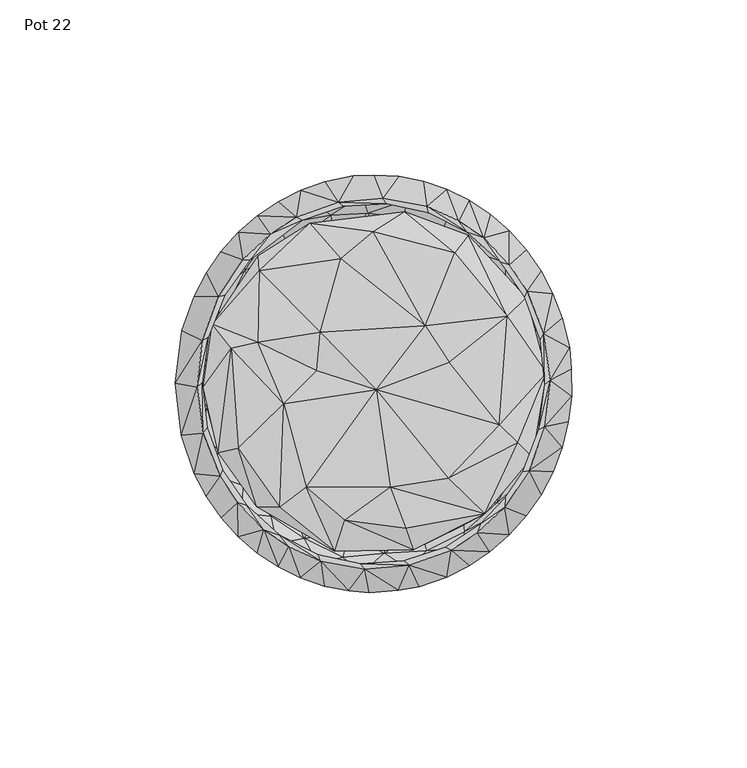
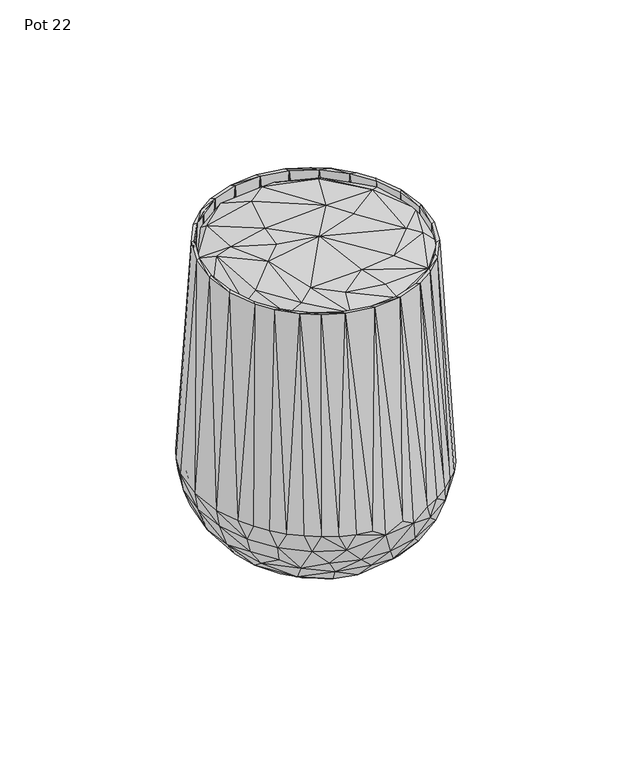
"""IFC4 building model written with IfcOpenShell, lengths in millimetres: furniture geometry, Pot 22."""

from ifc_helpers import new_model, si_unit, origin, place, context, project, spatial, triangles, source, transform, mapped, element, save


def pot_22_847e8816(model_context):
    return source(origin(), model_context, "Body", "Tessellation", [
        triangles([(-15.4300924, -40.540794, 6.9802641), (-5.3734928, -43.0216927, 6.8997923), (-18.6359287, -47.8072245, 15.9449377), (-29.1590532, -34.8982151, 9.2905241), (-24.0619783, -29.9488306, 4.0905601), (-15.8921997, -27.3953005, 1.20465), (1.2702494, -37.0450839, 2.9253997), (8.0405402, -48.9172131, 13.7749802), (-3.5702811, -51.2194118, 16.0386377), (15.7148543, -40.0278711, 7.3626314), (13.8647481, -32.169648, 2.4541993), (26.7461395, -34.533925, 8.449059), (22.2051808, -44.9031231, 15.199087), (-29.77021, -22.2304677, 3.5367271), (-40.1910379, -19.2373182, 9.4887428), (-31.8034435, -42.2695584, 19.1393318), (-41.9096784, -27.5848579, 16.1240453), (-14.7830253, -33.023141, 7.3470857), (2.0782128, -36.1492197, 7.348245), (-9.3031601, -22.7913187, 4.3907343), (-27.4586823, -27.7787232, 9.3036983), (-20.1576359, -44.0453084, 17.4820475), (-25.2814147, -19.2848739, 5.9934733), (-7.5758026, -42.8609785, 11.9993198), (-2.3813247, -24.5946266, -0.0942782), (18.6941851, -30.309067, 7.4211631), (12.5472469, -20.3614616, 4.389856), (2.6236549, -48.3739459, 17.3415707), (13.0612179, -40.8768563, 11.8704339), (15.4079724, -17.1849726, -0.1289191), (27.1000787, -21.3363839, 2.6771165), (28.8474557, -22.2318779, 8.2224178), (24.9508776, -36.7188071, 14.0327508), (33.814072, -26.6867136, 8.4375709), (35.0594902, -34.8562459, 15.8717034), (-34.0396306, -11.5292143, 3.0127399), (-23.3346676, -5.5509063, -0.1114933), (-38.3701779, -16.6115167, 11.8128872), (-29.551864, -37.8406862, 17.4278731), (-37.543684, -29.0342652, 17.4132063), (-0.3794357, 0.0082292, 6.709636), (-23.4040016, -2.5365205, 4.39964), (-0.3794357, 0.0082292, 2.0614676), (23.8629511, -2.1981523, 4.3961093), (31.0076481, -6.0709043, 1.5472998), (37.6406757, -15.9878765, 7.1021226), (32.2264055, -4.147444, 6.6116161), (35.3612455, -24.9646076, 13.8691366), (39.9983988, -4.7884772, 11.2972256), (43.5027498, -21.2280829, 15.2136483), (-41.3960061, -5.2388234, 7.057099), (-49.9325399, -13.6027671, 19.5879986), (-41.2831178, 5.6539404, 7.0559573), (-31.2948217, 8.8190327, 1.8643552), (-31.962425, -4.4735261, 6.3814612), (23.6631564, 4.8862882, -0.1347687), (41.5437987, -3.6790519, 7.8267877), (-51.5172315, -0.1878217, 19.5872969), (-32.9871171, 12.7298348, 7.5689841), (-41.2241689, 6.0889906, 11.9485348), (-41.0188126, -6.3435025, 11.794512), (-14.2920759, 17.7411693, 4.4829403), (-24.2646935, 19.060335, 5.7270612), (-16.9110442, 17.2942807, -0.1440086), (25.7841638, 16.2861494, 5.7735069), (8.1832186, 21.7325443, 4.4637225), (34.439295, 13.6209051, 4.0648951), (34.2561462, 15.2239969, 9.1482885), (48.0108231, -6.3126722, 16.0831514), (42.9817287, 8.4348208, 9.8479465), (-38.5920712, 16.2149691, 7.0560453), (-47.5799582, 12.625508, 16.043695), (-33.5363455, 26.0171756, 7.2107699), (-23.347839, 23.462024, 1.8729277), (-6.8453404, 20.697374, 0.0001411), (12.7313813, 16.775668, 1.81e-05), (5.316943, 21.1145769, 0.0034611), (18.3219762, 23.1870385, 0.6994059), (-43.0169555, 24.6469285, 16.0413423), (-28.0355208, 26.9652486, 9.3853652), (-35.0035729, 26.7511174, 13.7458554), (-16.13602, 28.9026122, 6.195082), (-12.9517099, 34.1786846, 2.8498817), (4.6591238, 28.0310039, 0.391151), (-3.4078359, 30.4113818, 5.3153227), (26.864528, 30.7274713, 10.8601213), (13.8908332, 29.08706, 5.9343092), (45.8203454, 3.2047479, 17.562274), (37.3147282, 22.391879, 13.7580992), (26.7296593, 27.1428813, 4.3287953), (38.0329869, 20.9425126, 8.9215422), (-33.2635787, 37.4523038, 15.5233439), (-26.6964582, 33.4452878, 7.1598629), (-11.4157129, 39.7508985, 10.4689002), (-24.5164791, 39.4589468, 15.7308394), (2.2500157, 36.9658873, 3.0764531), (11.479005, 36.8856641, 4.134335), (14.7510175, 38.170399, 10.3041096), (2.4201571, 40.7000094, 10.1569041), (20.9252012, 38.1482801, 7.5181645), (31.2543514, 31.5162176, 9.310514), (41.0895023, 27.5970437, 16.0309074), (47.7158965, 9.6992331, 16.0273239), (-17.2557827, 43.6655487, 10.6217274), (-7.6218027, 41.2662402, 6.1157701), (3.2505394, 46.2336423, 9.6140855), (28.203561, 41.784677, 15.8191811), (14.8797411, 48.8202759, 15.9919631), (2.8801933, -55.4366099, 23.3154623), (-10.3915033, -54.6215388, 23.3178672), (-23.0190301, -50.3422079, 23.3121581), (-30.3040437, -49.3819558, 31.0930013), (-41.1554412, -39.8858694, 31.100291), (-39.224459, -37.8928769, 23.324789), (-27.8884617, -45.5874563, 27.633733), (-16.2361036, -51.3020239, 27.6298883), (-9.201601, -49.5205284, 20.3926438), (-3.5529956, -53.7644009, 27.6252669), (9.3083827, -52.814804, 27.6349456), (14.6411587, -47.6877324, 20.3973696), (15.9275162, -52.7402901, 23.3118424), (25.4486806, -42.2068305, 20.4124237), (30.1126401, -45.2442087, 23.1053143), (-37.8789742, -36.8751883, 27.6120569), (34.8854297, -33.821448, 20.4689518), (42.9074918, -32.9615691, 24.9503462), (-46.6330638, -27.1147853, 23.3198884), (-44.7880184, -19.0011192, 20.4033603), (-45.1294946, -26.4118394, 27.6194692), (41.9153467, -21.2914284, 18.7548713), (44.4560392, -25.684095, 27.6380023), (47.9764593, -12.6183102, 24.0305894), (49.4146755, -20.5304465, 24.9527193), (-47.8222945, -6.769981, 20.4018661), (52.8127329, -6.6538862, 24.9647848), (-44.2860868, 17.692108, 19.0652539), (-47.832282, 5.8292897, 20.3370649), (50.8146627, 0.4005209, 27.6617154), (47.8854129, 13.6020574, 24.0160781), (47.4870633, 24.073333, 23.1758973), (51.9686438, 7.4343828, 23.266083), (-51.4946448, 13.6512777, 23.3151807), (-46.5573372, 26.669291, 23.3093671), (-37.1028338, 32.2862424, 20.2348818), (-49.9477688, 13.0950583, 27.621177), (-45.2034636, 25.7118731, 27.6237227), (-40.2574401, 38.1302761, 25.9406336), (28.2680692, 37.5901088, 17.070204), (41.4075016, 24.7629348, 20.3817705), (37.3898212, 34.4771379, 24.0470492), (38.3640373, 40.122442, 26.2557579), (-28.6217177, 45.9940403, 21.8176658), (-28.0229307, 45.3587502, 27.678123), (-12.6390007, 48.1433368, 19.4020429), (8.013524, 47.3409058, 17.1849135), (19.1458835, 43.5772047, 17.1162279), (21.2029141, 48.2998725, 25.8541904), (31.6447322, 41.4532882, 25.9045893), (-18.4533079, 53.2790699, 25.3250031), (-8.9975669, 53.3043681, 20.2873881), (-2.0336509, 48.6491426, 17.7244825), (9.0423527, 52.4211689, 25.9514388), (-3.7338064, 53.7208488, 27.6074355), (2.7728305, 53.9931296, 20.1465946), (28.460295, 47.7359534, 24.9651027), (16.2237065, 53.7462697, 24.9560894), (-17.7965461, -55.621505, 31.2426152), (-25.3866908, -50.3833663, 39.3146152), (-12.6701887, -55.2812959, 39.267961), (-1.5743821, -59.6458097, 35.4442641), (0.809066, -56.6749518, 39.2503022), (12.6043258, -57.9825845, 35.4660969), (24.6283704, -46.999266, 27.5724813), (14.2056713, -54.4848874, 39.2339333), (23.3869696, -52.6300088, 31.1146774), (-36.2824352, -42.5063898, 39.3357304), (37.2498566, -36.2522294, 27.631537), (26.6788903, -48.8539493, 39.2159611), (37.4628092, -40.1150432, 39.3562324), (34.95822, -44.7934959, 30.9927848), (-48.9877484, -28.5169344, 31.100643), (-45.2014652, -31.756728, 39.2347236), (45.6962251, -29.10255, 39.3212009), (47.4033384, -31.615176, 37.9578552), (43.2181378, -37.698135, 37.9610505), (-54.1406134, -14.901198, 31.1064748), (-49.922675, -13.8241539, 27.6242859), (-51.2360941, -19.0678609, 39.2408052), (51.2066355, -16.0579974, 39.3083111), (53.4475961, -18.0754433, 37.9307334), (50.8283473, -25.0452759, 37.9240728), (-55.8944353, -0.3066249, 31.1090227), (-51.5589123, -0.3851987, 27.6212814), (-53.2887259, -10.9785609, 40.1389017), (53.464074, -1.9677357, 39.2644275), (-54.2221536, 1.9842386, 39.2615843), (-54.118172, 14.3194328, 31.1101105), (55.522047, 10.3395953, 35.4700688), (55.2184228, -10.8205196, 37.9269205), (56.0929016, -3.4881756, 38.1762217), (52.3167104, 12.2102569, 39.2183002), (-49.0428368, 27.8680233, 31.2013318), (-51.9690344, 16.0613697, 39.2966839), (44.3672592, 26.4219406, 27.6038542), (47.8396035, 25.6342116, 39.2286466), (-38.0347378, 36.3191653, 27.8019481), (-46.466486, 29.0993707, 39.3020069), (40.5706432, 37.1238105, 39.5263255), (44.576249, 34.6828212, 31.3119673), (51.0920304, 22.0949745, 30.9653655), (-43.9541485, 37.6453539, 39.1740487), (-39.0719474, 43.234643, 37.8477648), (-29.6114988, 49.2021521, 29.9691055), (-38.216113, 40.1353863, 39.4225982), (-16.4005682, 51.0151864, 27.5781541), (-20.3585548, 52.525087, 40.0269127), (-32.0716797, 45.5755384, 41.6309209), (-26.3173571, 49.4523821, 41.8476183), (30.1646581, 46.9284855, 39.4330491), (18.4753757, 53.2524454, 39.2995089), (26.9146862, 52.3657626, 37.9373737), (32.9122852, 48.3953291, 37.9319257), (38.3275206, 43.6103014, 39.4234748), (43.2112342, 38.1855916, 39.1617539), (-21.1797574, 55.204452, 39.1095995), (-14.3214017, 57.6520996, 37.7813285), (-6.1944722, 59.3120682, 35.5946319), (-8.3282889, 56.0414376, 39.2268707), (5.227916, 56.4417765, 39.2644683), (6.779909, 59.2168615, 36.1681207), (13.8055754, 57.7476243, 38.1808226), (20.4809015, 55.5133766, 37.9549553), (-14.4579111, -57.7117435, 39.0994121), (-27.624681, -52.28603, 39.438086), (-21.2775757, -55.4219714, 39.0132846), (6.6893548, -58.9826688, 39.0870082), (-7.4861199, -59.0694323, 39.0789283), (-2.9608382, -52.9211974, 145.4407137), (20.4189344, -55.1905493, 39.0731828), (9.7116971, -51.8332551, 145.4403594), (26.8449253, -51.9695749, 39.0847964), (-39.0860136, -43.5931694, 39.4376682), (-43.9441518, -38.1781747, 39.4375274), (-48.1153135, -32.1609684, 39.4376137), (-33.6174066, -48.3206516, 39.4378135), (32.826789, -47.9334432, 39.1915622), (38.3088808, -43.1099822, 39.4687073), (36.9682172, -35.2736781, 145.4392512), (43.9753954, -24.7818608, 145.4406228), (-51.5337594, -25.6364575, 39.4375274), (-55.341335, -14.7443523, 39.3516451), (-57.0164598, 0.1630746, 39.3515088), (48.5149121, -12.3325957, 145.4399506), (-55.0866403, 15.0874682, 39.3473939), (56.0575567, 4.0890948, 39.0948112), (49.967853, 0.9684079, 145.4399415), (-51.5230133, 25.0166303, 39.4401798), (53.388261, 18.7159815, 39.45381), (48.2124142, 14.1962583, 145.4406864), (-48.1474245, 31.5481357, 39.1142186), (50.763771, 25.6794441, 39.43656), (47.4146567, 32.1284418, 38.992887), (-37.7048547, 35.3158404, 145.446927), (-33.5279862, 47.9837853, 39.2957164), (-29.9184182, 42.6078235, 145.4387879), (-27.6041336, 51.986012, 39.0809676), (30.9810713, 41.6528264, 145.4284597), (-10.4767304, 51.8484477, 145.4398325), (-0.3608242, 59.5115201, 39.0888023), (2.2041798, 52.9376526, 145.4395328), (14.7176984, 50.6517048, 145.4398053), (23.8387657, 46.5080124, 145.4373163), (-24.5970928, -46.4916753, 145.4391967), (-31.7343775, -41.6396095, 145.4402686), (-20.1666129, -52.6973012, 43.5299693), (-31.9712317, -45.9435574, 43.5295105), (-27.1600178, -43.2200499, 145.3467605), (-16.1419358, -48.805969, 145.3462245), (-15.4685008, -50.6375341, 145.4413223), (-7.1183666, -56.1393059, 43.5314408), (-4.0578396, -51.3295976, 145.3460428), (6.353833, -56.0530284, 43.5337617), (8.2574112, -50.5873464, 145.3461973), (19.4034418, -52.4434241, 43.536555), (20.0143897, -46.6329957, 145.3463244), (21.7071916, -47.4599665, 145.4405229), (-39.1093497, -33.9497174, 145.4394419), (-36.6507312, -34.731828, 145.3459883), (-41.7906041, -36.3025738, 43.5292289), (31.210118, -45.5368962, 43.5398615), (30.0581308, -40.0641697, 145.344544), (29.158138, -42.5925719, 145.438252), (41.0312255, -35.7677636, 43.5418962), (37.2307217, -32.4973623, 145.3442715), (-44.1496671, -26.4577124, 145.441504), (-49.0079961, -24.3802433, 43.5291563), (-43.4477023, -24.6506483, 145.3475326), (42.1137721, -25.1853314, 145.3450346), (-48.9767661, -14.161061, 145.4412678), (48.2489854, -23.751707, 43.5389258), (46.8103195, -13.1920647, 145.3446712), (-50.7265049, -0.9524673, 145.441295), (-54.0153848, -3.8855076, 43.5291245), (-47.8699206, -12.5855656, 145.3472964), (52.4104274, -10.2481844, 43.5254683), (48.5211753, -0.2935007, 145.345298), (-49.2799135, 0.3124103, 145.346824), (53.2585133, 3.886517, 43.5076959), (-49.2804813, 12.3149006, 145.4416675), (-53.168834, 10.2669219, 43.5293516), (47.1113731, 12.5994762, 145.3467786), (-44.7358186, 24.7930815, 145.4423033), (-47.5707201, 13.2021238, 145.346497), (-49.0053572, 23.7749342, 43.5291971), (50.7439366, 17.7774089, 43.525382), (42.6877423, 24.6698718, 145.3476416), (-42.878224, 25.1912403, 145.3466242), (-41.7864756, 35.7898916, 43.5286703), (44.9937607, 30.6050519, 43.5443034), (43.3991406, 26.4607804, 145.4412224), (-35.8069396, 35.2527651, 145.3364777), (36.4067031, 41.4721052, 43.5192868), (35.9001979, 34.7381708, 145.351048), (38.3517424, 33.9649553, 145.438688), (-22.5191855, 47.4489751, 145.4403231), (-29.074236, 41.3960924, 145.0810699), (-20.7837446, 46.6439779, 145.3493493), (26.4032848, 43.2349745, 145.3432451), (25.5261808, 49.7230233, 43.5153898), (-13.7372838, 54.6981193, 43.524678), (-9.0402214, 50.6002363, 145.3455523), (-0.3669187, 56.5593111, 43.5212034), (3.2945425, 51.3465979, 145.3447348), (13.002865, 54.8645427, 43.5170204), (15.3908063, 48.8197309, 145.3441534)], [[1, 2, 3], [1, 3, 4], [1, 4, 5], [1, 5, 6], [1, 7, 2], [1, 6, 7], [2, 7, 8], [2, 9, 3], [2, 8, 9], [10, 7, 11], [10, 11, 12], [10, 12, 13], [10, 8, 7], [10, 13, 8], [4, 14, 5], [4, 15, 14], [4, 16, 17], [4, 17, 15], [4, 3, 16], [5, 14, 6], [18, 19, 20], [18, 21, 22], [18, 20, 23], [18, 23, 21], [18, 22, 24], [18, 24, 19], [7, 6, 25], [7, 25, 11], [19, 26, 27], [19, 27, 20], [19, 24, 28], [19, 28, 29], [19, 29, 26], [11, 25, 30], [11, 31, 12], [11, 30, 31], [26, 32, 27], [26, 29, 33], [26, 33, 32], [12, 31, 34], [12, 34, 35], [12, 35, 13], [14, 15, 36], [14, 36, 37], [14, 37, 6], [21, 23, 38], [21, 39, 22], [21, 40, 39], [21, 38, 40], [6, 37, 25], [20, 27, 41], [20, 42, 23], [20, 41, 42], [25, 37, 43], [25, 43, 30], [27, 32, 44], [27, 44, 41], [31, 30, 45], [31, 46, 34], [31, 45, 46], [32, 47, 44], [32, 33, 48], [32, 48, 49], [32, 49, 47], [34, 46, 50], [34, 50, 35], [15, 51, 36], [15, 17, 52], [15, 52, 51], [36, 51, 53], [36, 53, 54], [36, 54, 37], [23, 55, 38], [23, 42, 55], [30, 43, 56], [30, 56, 45], [46, 57, 50], [46, 45, 57], [51, 52, 58], [51, 58, 53], [55, 42, 59], [55, 59, 60], [55, 61, 38], [55, 60, 61], [42, 41, 62], [42, 63, 59], [42, 62, 63], [37, 54, 64], [37, 64, 43], [44, 47, 65], [44, 65, 66], [44, 66, 41], [45, 56, 67], [45, 67, 57], [47, 68, 65], [47, 49, 68], [57, 69, 50], [57, 70, 69], [57, 67, 70], [53, 71, 54], [53, 72, 71], [53, 58, 72], [54, 71, 73], [54, 73, 74], [54, 74, 64], [43, 64, 75], [43, 76, 56], [43, 75, 77], [43, 77, 76], [41, 66, 62], [56, 76, 78], [56, 78, 67], [71, 72, 79], [71, 79, 73], [59, 63, 80], [59, 80, 81], [59, 81, 60], [63, 62, 82], [63, 82, 80], [64, 74, 83], [64, 84, 75], [64, 83, 84], [62, 66, 85], [62, 85, 82], [76, 77, 78], [65, 68, 86], [65, 87, 66], [65, 86, 87], [68, 49, 88], [68, 88, 89], [68, 89, 86], [67, 78, 90], [67, 90, 91], [67, 91, 70], [73, 79, 92], [73, 93, 74], [73, 92, 93], [80, 82, 94], [80, 95, 81], [80, 94, 95], [74, 93, 83], [82, 85, 94], [75, 84, 77], [84, 78, 77], [84, 83, 96], [84, 96, 97], [84, 97, 78], [66, 87, 85], [87, 98, 99], [87, 86, 98], [87, 99, 85], [78, 97, 100], [78, 100, 90], [90, 100, 101], [90, 101, 91], [91, 101, 102], [91, 103, 70], [91, 102, 103], [93, 92, 104], [93, 104, 83], [83, 105, 96], [83, 104, 105], [85, 99, 94], [96, 105, 106], [96, 106, 97], [97, 106, 100], [100, 107, 101], [100, 106, 108], [100, 108, 107], [101, 107, 102], [105, 104, 106], [9, 8, 109], [9, 110, 3], [9, 109, 110], [16, 3, 111], [16, 111, 112], [16, 113, 114], [16, 112, 113], [16, 114, 17], [22, 39, 115], [22, 116, 117], [22, 115, 116], [22, 117, 24], [3, 110, 111], [24, 117, 28], [28, 118, 119], [28, 119, 120], [28, 117, 118], [28, 120, 29], [8, 13, 121], [8, 121, 109], [29, 120, 122], [29, 122, 33], [13, 35, 123], [13, 123, 121], [39, 40, 124], [39, 124, 115], [33, 125, 48], [33, 122, 125], [35, 50, 126], [35, 126, 123], [17, 114, 127], [17, 127, 52], [40, 38, 128], [40, 129, 124], [40, 128, 129], [48, 125, 130], [48, 130, 49], [130, 125, 131], [130, 131, 132], [130, 132, 49], [50, 69, 133], [50, 133, 126], [38, 61, 128], [61, 60, 134], [61, 134, 128], [49, 132, 88], [69, 70, 103], [69, 103, 135], [69, 135, 133], [60, 136, 137], [60, 137, 134], [60, 81, 136], [88, 132, 138], [88, 138, 139], [88, 139, 89], [103, 102, 140], [103, 141, 135], [103, 140, 141], [72, 58, 142], [72, 142, 143], [72, 143, 79], [136, 81, 144], [136, 145, 137], [136, 146, 145], [136, 144, 146], [79, 143, 147], [79, 147, 92], [81, 95, 144], [89, 148, 86], [89, 139, 149], [89, 149, 150], [89, 150, 148], [102, 107, 151], [102, 151, 140], [92, 147, 152], [92, 152, 104], [95, 153, 144], [95, 154, 153], [95, 94, 154], [98, 155, 99], [98, 86, 156], [98, 156, 155], [86, 148, 156], [148, 157, 156], [148, 158, 157], [148, 150, 158], [104, 152, 159], [104, 159, 160], [104, 160, 106], [94, 99, 161], [94, 161, 154], [161, 99, 155], [161, 155, 162], [161, 163, 154], [161, 162, 163], [106, 160, 164], [106, 164, 108], [155, 156, 162], [108, 165, 107], [108, 164, 166], [108, 166, 165], [156, 157, 162], [107, 165, 151], [111, 110, 167], [111, 167, 112], [116, 118, 117], [116, 115, 168], [116, 168, 169], [116, 169, 118], [110, 109, 170], [110, 170, 167], [118, 169, 171], [118, 171, 119], [109, 121, 172], [109, 172, 170], [119, 173, 120], [119, 171, 174], [119, 174, 173], [121, 123, 175], [121, 175, 172], [115, 124, 176], [115, 176, 168], [120, 173, 122], [173, 177, 122], [173, 174, 178], [173, 178, 179], [173, 179, 177], [122, 177, 125], [123, 126, 180], [123, 180, 175], [114, 113, 181], [114, 181, 127], [124, 129, 182], [124, 182, 176], [125, 177, 131], [177, 179, 183], [177, 183, 131], [126, 133, 184], [126, 185, 180], [126, 184, 185], [127, 181, 186], [127, 186, 52], [129, 187, 188], [129, 128, 187], [129, 188, 182], [131, 183, 189], [131, 189, 132], [133, 135, 190], [133, 191, 184], [133, 190, 191], [52, 186, 192], [52, 192, 58], [187, 128, 134], [187, 193, 194], [187, 134, 193], [187, 194, 188], [132, 189, 195], [132, 195, 138], [193, 134, 137], [193, 137, 145], [193, 145, 196], [193, 196, 194], [58, 192, 197], [58, 197, 142], [135, 141, 198], [135, 199, 190], [135, 200, 199], [135, 198, 200], [138, 195, 201], [138, 201, 139], [141, 140, 198], [142, 197, 202], [142, 202, 143], [145, 146, 203], [145, 203, 196], [139, 204, 149], [139, 201, 205], [139, 205, 204], [143, 202, 147], [146, 206, 207], [146, 144, 206], [146, 207, 203], [149, 204, 150], [204, 205, 208], [204, 208, 150], [140, 151, 209], [140, 210, 198], [140, 209, 210], [147, 202, 211], [147, 211, 212], [147, 212, 213], [147, 213, 152], [206, 214, 207], [206, 144, 153], [206, 153, 214], [150, 208, 158], [152, 213, 159], [153, 154, 215], [153, 215, 216], [153, 217, 214], [153, 218, 217], [153, 216, 218], [154, 163, 215], [157, 158, 219], [157, 219, 220], [157, 220, 162], [165, 166, 221], [165, 222, 151], [165, 221, 222], [158, 208, 219], [151, 222, 223], [151, 224, 209], [151, 223, 224], [159, 213, 225], [159, 226, 227], [159, 227, 160], [159, 225, 226], [215, 163, 228], [215, 228, 216], [160, 227, 164], [163, 162, 229], [163, 229, 228], [164, 227, 230], [164, 230, 166], [162, 220, 229], [166, 230, 231], [166, 231, 232], [166, 232, 221], [167, 170, 233], [167, 234, 112], [167, 235, 234], [167, 233, 235], [170, 172, 236], [170, 237, 233], [170, 236, 238], [170, 238, 237], [172, 175, 239], [172, 239, 240], [172, 240, 236], [175, 180, 241], [175, 241, 239], [113, 242, 243], [113, 244, 181], [113, 243, 244], [113, 112, 242], [112, 234, 245], [112, 245, 242], [180, 246, 241], [180, 247, 246], [180, 185, 247], [185, 184, 248], [185, 248, 247], [184, 191, 249], [184, 249, 248], [181, 244, 250], [181, 250, 251], [181, 251, 186], [191, 190, 249], [186, 251, 252], [186, 252, 192], [190, 199, 253], [190, 253, 249], [199, 200, 253], [192, 252, 254], [192, 254, 197], [200, 198, 255], [200, 255, 256], [200, 256, 253], [197, 254, 257], [197, 257, 202], [198, 210, 258], [198, 258, 259], [198, 256, 255], [198, 259, 256], [202, 257, 260], [202, 260, 211], [210, 209, 261], [210, 261, 258], [209, 224, 262], [209, 262, 261], [212, 211, 263], [212, 264, 213], [212, 263, 265], [212, 265, 264], [213, 264, 266], [213, 266, 225], [222, 221, 267], [222, 267, 223], [226, 225, 268], [226, 268, 227], [227, 269, 230], [227, 268, 270], [227, 270, 269], [230, 269, 270], [230, 270, 271], [230, 271, 231], [231, 271, 232], [232, 272, 221], [232, 271, 272], [221, 272, 267], [234, 235, 273], [234, 274, 245], [234, 273, 274], [168, 275, 169], [168, 176, 276], [168, 276, 277], [168, 277, 278], [168, 278, 275], [235, 233, 279], [235, 279, 273], [275, 278, 169], [233, 237, 279], [169, 280, 171], [169, 281, 280], [169, 278, 281], [237, 238, 279], [280, 281, 171], [171, 282, 174], [171, 281, 283], [171, 283, 282], [282, 283, 174], [236, 240, 238], [174, 284, 178], [174, 283, 285], [174, 285, 284], [284, 285, 178], [239, 241, 286], [239, 286, 240], [241, 246, 286], [242, 245, 274], [242, 274, 287], [242, 287, 243], [176, 277, 276], [176, 288, 277], [176, 182, 289], [176, 289, 288], [178, 290, 179], [178, 285, 291], [178, 291, 290], [290, 291, 179], [246, 247, 292], [246, 292, 286], [179, 293, 183], [179, 291, 294], [179, 294, 293], [247, 248, 292], [244, 243, 295], [244, 295, 250], [182, 296, 297], [182, 188, 296], [182, 288, 289], [182, 297, 288], [243, 287, 295], [293, 294, 298], [293, 298, 183], [250, 295, 299], [250, 299, 251], [296, 188, 297], [183, 300, 189], [183, 298, 300], [300, 298, 301], [300, 301, 189], [251, 299, 302], [251, 302, 252], [194, 303, 304], [194, 196, 303], [194, 304, 188], [188, 304, 297], [189, 305, 195], [189, 301, 305], [305, 301, 306], [305, 306, 195], [303, 196, 307], [303, 307, 304], [195, 308, 201], [195, 306, 308], [252, 302, 309], [252, 309, 254], [196, 310, 307], [196, 203, 310], [308, 306, 311], [308, 311, 201], [254, 309, 312], [254, 312, 257], [310, 203, 313], [310, 313, 307], [203, 314, 313], [203, 207, 314], [315, 201, 311], [315, 205, 201], [315, 311, 316], [315, 316, 205], [258, 261, 259], [257, 312, 260], [314, 207, 317], [314, 317, 313], [207, 318, 317], [207, 214, 318], [205, 319, 208], [205, 316, 319], [261, 262, 320], [261, 320, 259], [260, 312, 263], [260, 263, 211], [318, 214, 321], [318, 321, 317], [208, 322, 219], [208, 319, 323], [208, 323, 322], [224, 223, 324], [224, 320, 262], [224, 324, 320], [319, 316, 323], [214, 217, 321], [264, 265, 325], [264, 325, 266], [217, 218, 326], [217, 326, 321], [218, 216, 327], [218, 327, 326], [219, 322, 328], [219, 329, 220], [219, 328, 329], [322, 323, 328], [223, 267, 324], [266, 325, 225], [225, 325, 268], [216, 330, 327], [216, 228, 330], [330, 228, 331], [330, 331, 327], [228, 332, 331], [228, 229, 332], [332, 229, 333], [332, 333, 331], [229, 334, 333], [229, 220, 334], [334, 220, 335], [334, 335, 333], [220, 329, 335], [329, 328, 335], [279, 238, 278], [279, 277, 273], [279, 278, 277], [281, 238, 240], [281, 240, 283], [281, 278, 238], [283, 240, 286], [283, 286, 285], [274, 277, 288], [274, 273, 277], [274, 288, 287], [285, 286, 292], [285, 292, 291], [292, 248, 291], [291, 248, 294], [287, 288, 297], [287, 297, 295], [248, 249, 294], [294, 249, 298], [295, 297, 304], [295, 304, 299], [298, 249, 253], [298, 253, 301], [299, 304, 307], [299, 307, 302], [301, 253, 256], [301, 256, 306], [302, 307, 313], [302, 313, 309], [306, 256, 259], [306, 259, 311], [309, 313, 317], [309, 317, 312], [311, 259, 320], [311, 320, 316], [312, 317, 321], [312, 321, 263], [316, 320, 324], [316, 324, 323], [263, 321, 265], [321, 327, 265], [321, 326, 327], [323, 324, 267], [323, 267, 328], [265, 327, 325], [325, 327, 331], [325, 331, 268], [335, 328, 271], [335, 270, 333], [335, 271, 270], [272, 328, 267], [272, 271, 328], [268, 331, 333], [268, 333, 270]]),
        triangles([(35.5373703, -11.7631446, 146.3629593), (48.878807, 3.102742, 142.414999), (37.8031658, 19.1855795, 146.1436777), (21.1998529, 6.1546042, 147.8060944), (-26.052014, -5.7663995, 147.8445368), (0.372529, -1.7210916, 148.7460715), (-16.5765886, 3.7089252, 147.2054588), (-33.4426603, 11.8130076, 146.9957968), (-41.0354449, 10.0959908, 146.0362533), (14.3558677, 16.5790968, 148.1706797), (-15.5677646, 14.6835276, 148.3101424), (-46.3782829, 16.9402996, 142.8428708), (43.2398798, 24.577372, 142.2911603), (-33.0214492, 32.3078299, 144.9411257), (-9.8277102, 35.6360447, 146.9086564), (22.7818648, 37.4373156, 145.845222), (-0.5286336, 43.3293456, 146.2880366), (-18.6711396, 45.8329628, 142.9124432), (-0.6805956, -41.2504391, 138.404052), (10.9445525, -47.3732666, 142.0575717), (-11.4132534, -47.8619995, 142.5805412), (-28.6353683, -29.5405751, 138.3189736), (-7.1109758, -1.8568448, 135.9686992), (23.7819332, -33.9848033, 138.6743298), (18.7817512, -17.6990514, 136.7986176), (-8.6573142, -38.9503069, 146.4311965), (8.7489635, -41.2648777, 145.8695665), (31.3253022, -37.084437, 143.3707455), (24.3523857, -40.8879385, 140.7298639), (44.8784516, -20.9956389, 142.3271773), (-33.7262004, -35.0630283, 141.970068), (-27.1619549, -35.2782836, 145.4394419), (-39.0471669, -18.3805232, 145.7296586), (-44.727398, -19.6506015, 141.9667342), (-29.0721354, -12.8273182, 137.4072742), (40.7280463, -3.9172434, 138.6381947), (-49.0330899, -1.0013245, 141.7100275), (-38.9860742, 13.4266684, 138.72707), (11.0174121, -1.6937815, 136.2465892), (-28.0710155, 29.237698, 138.3168389), (-1.7307773, 12.4907006, 135.7904215), (35.4891651, 18.592765, 138.8758709), (-33.3336303, 36.5167141, 141.7055401), (-10.2151854, 45.4064308, 140.2410674), (4.4101252, 31.3054588, 137.4192556), (26.6899475, 42.3723137, 141.8457024), (8.5070729, 49.009068, 141.9171097), (-19.6063001, -29.4822075, 146.8565339), (4.308559, -29.5604322, 147.5718427), (20.9378163, -27.0456443, 147.1407007), (40.7253893, -16.8276917, 145.4708899)], [[1, 2, 3], [1, 3, 4], [5, 6, 7], [5, 7, 8], [5, 8, 9], [6, 4, 10], [6, 11, 7], [6, 10, 11], [9, 8, 12], [7, 11, 8], [4, 3, 10], [2, 13, 3], [12, 8, 14], [8, 11, 14], [11, 10, 15], [11, 15, 14], [10, 3, 16], [10, 16, 17], [10, 17, 15], [14, 15, 18], [15, 17, 18], [19, 20, 21], [19, 22, 23], [19, 24, 20], [19, 25, 24], [19, 23, 25], [19, 21, 22], [20, 26, 21], [20, 27, 26], [20, 28, 27], [20, 24, 29], [20, 29, 28], [29, 24, 30], [29, 30, 28], [31, 21, 32], [31, 32, 33], [31, 33, 34], [31, 22, 21], [31, 34, 22], [22, 34, 35], [22, 35, 23], [24, 25, 36], [24, 36, 30], [34, 33, 9], [34, 9, 37], [34, 37, 35], [35, 37, 38], [35, 38, 23], [25, 23, 39], [25, 39, 36], [37, 12, 38], [37, 9, 12], [23, 38, 40], [23, 41, 39], [23, 40, 41], [39, 41, 36], [36, 41, 42], [36, 42, 2], [36, 2, 30], [38, 43, 40], [38, 12, 43], [41, 40, 44], [41, 45, 42], [41, 44, 45], [42, 45, 46], [42, 46, 13], [42, 13, 2], [40, 43, 44], [43, 14, 18], [43, 12, 14], [43, 18, 44], [45, 44, 46], [44, 18, 47], [44, 47, 46], [47, 16, 46], [47, 17, 16], [47, 18, 17], [46, 3, 13], [46, 16, 3], [21, 26, 48], [21, 48, 32], [26, 27, 49], [26, 49, 48], [27, 28, 49], [32, 48, 5], [32, 5, 33], [48, 49, 6], [48, 6, 5], [49, 28, 50], [49, 50, 6], [28, 30, 51], [28, 51, 50], [50, 1, 6], [50, 51, 1], [30, 2, 51], [33, 5, 9], [1, 51, 2], [1, 4, 6]]),
    ])


if __name__ == "__main__":
    model = new_model("IFC4")
    model_context = context("Model", 3, world=origin())
    ifc_project = project(units=[si_unit("LENGTHUNIT", "METRE", prefix="MILLI")], contexts=[model_context])
    site = spatial("IfcSite", under=ifc_project)
    building = spatial("IfcBuilding", under=site)
    placement = place(None, origin())
    pot_22_shape = pot_22_847e8816(model_context)
    element("IfcFurniture", 1, ObjectType="Pot 22", at=placement, inside=building, context=model_context, shape_type="MappedRepresentation", body=[
        mapped(pot_22_shape, transform((0.0, 0.0, 0.0), x_axis=(1.0, 0.0, 0.0), y_axis=(0.0, 1.0, 0.0), z_axis=(0.0, 0.0, 1.0))),
    ])
    save(model, "model.ifc")
